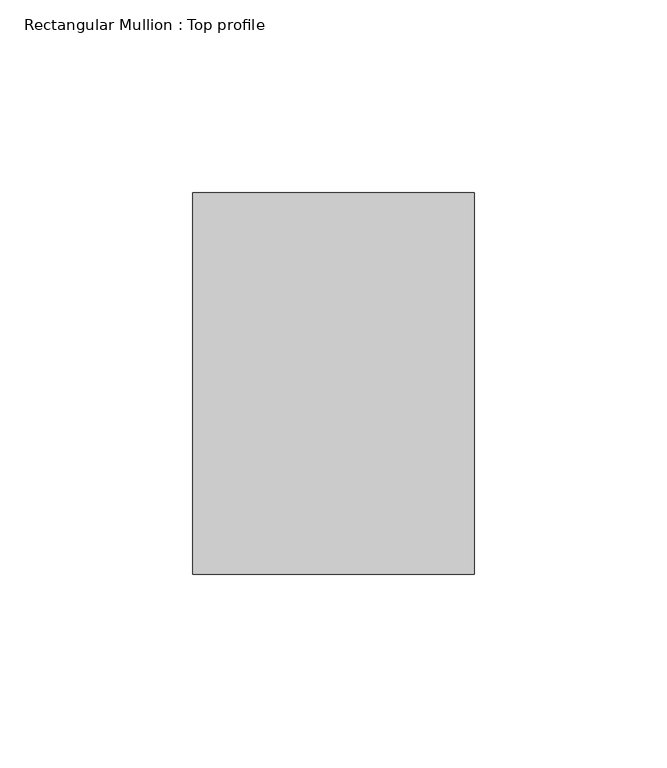
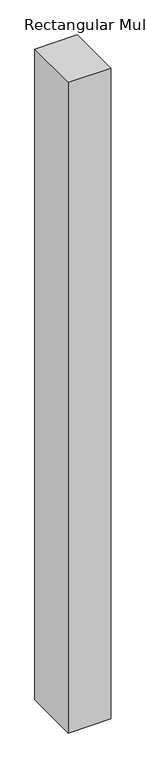
"""IFC4 building model written with IfcOpenShell, lengths in millimetres: member geometry, Rectangular Mullion : Top profile."""

from ifc_helpers import new_model, si_unit, frame, origin, place, context, project, spatial, polyline, outline, extrude, source, transform, mapped, element, save


def rectangular_mullion_top_profile_a96ea41e(model_context):
    return source(origin(), model_context, "Body", "SweptSolid", [
        extrude(outline(polyline([(-73.0, 49.5), (0.0, 49.5), (0.0, -49.5), (-73.0, -49.5), (-73.0, 49.5)])), frame((0.0, 0.0, -1180.0), z_axis=(0.0, 0.0, 1.0), x_axis=(1.0, 0.0, 0.0)), (0.0, 0.0, 1.0), 1180.0),
    ])


if __name__ == "__main__":
    model = new_model("IFC4")
    model_context = context("Model", 3, world=origin())
    ifc_project = project(units=[si_unit("LENGTHUNIT", "METRE", prefix="MILLI")], contexts=[model_context])
    site = spatial("IfcSite", under=ifc_project)
    building = spatial("IfcBuilding", under=site)
    placement = place(None, origin())
    rectangular_mullion_top_profile_shape = rectangular_mullion_top_profile_a96ea41e(model_context)
    element("IfcMember", 1, ObjectType="Rectangular Mullion : Top profile", at=placement, inside=building, context=model_context, shape_type="MappedRepresentation", body=[
        mapped(rectangular_mullion_top_profile_shape, transform((0.0, 0.0, 0.0), x_axis=(1.0, 0.0, 0.0), y_axis=(0.0, 1.0, 0.0), z_axis=(0.0, 0.0, 1.0))),
    ])
    save(model, "model.ifc")
